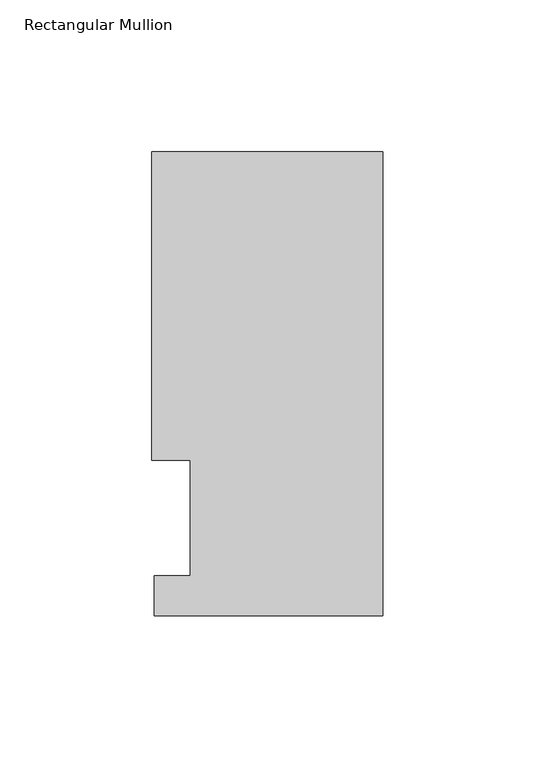
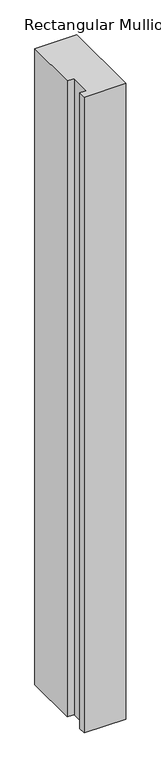
"""IFC4 building model written with IfcOpenShell, lengths in millimetres: member geometry, Rectangular Mullion."""

from ifc_helpers import new_model, si_unit, frame, origin, place, context, project, spatial, polyline, outline, extrude, source, transform, mapped, element, save


def rectangular_mullion_a96e683a(model_context):
    return source(origin(), model_context, "Body", "SweptSolid", [
        extrude(outline(polyline([(-76.2, 152.8960938), (0.0, 152.8960938), (0.0, 0.0084138), (-75.4126006, 0.0084138), (-75.4126006, 13.1960937), (-63.4999994, 13.1960937), (-63.4999994, 51.2960937), (-76.2, 51.2960937), (-76.2, 152.8960938)])), frame((0.0, 0.0, -1219.2), z_axis=(0.0, 0.0, 1.0), x_axis=(1.0, 0.0, 0.0)), (0.0, 0.0, 1.0), 1219.2),
    ])


if __name__ == "__main__":
    model = new_model("IFC4")
    model_context = context("Model", 3, world=origin())
    ifc_project = project(units=[si_unit("LENGTHUNIT", "METRE", prefix="MILLI")], contexts=[model_context])
    site = spatial("IfcSite", under=ifc_project)
    building = spatial("IfcBuilding", under=site)
    placement = place(None, origin())
    rectangular_mullion_shape = rectangular_mullion_a96e683a(model_context)
    element("IfcMember", 1, ObjectType="Rectangular Mullion", at=placement, inside=building, context=model_context, shape_type="MappedRepresentation", body=[
        mapped(rectangular_mullion_shape, transform((0.0, 0.0, 0.0), x_axis=(1.0, 0.0, 0.0), y_axis=(0.0, 1.0, 0.0), z_axis=(0.0, 0.0, 1.0))),
    ])
    save(model, "model.ifc")
